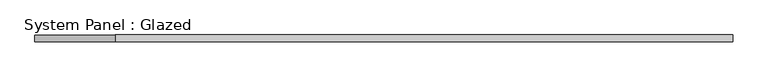
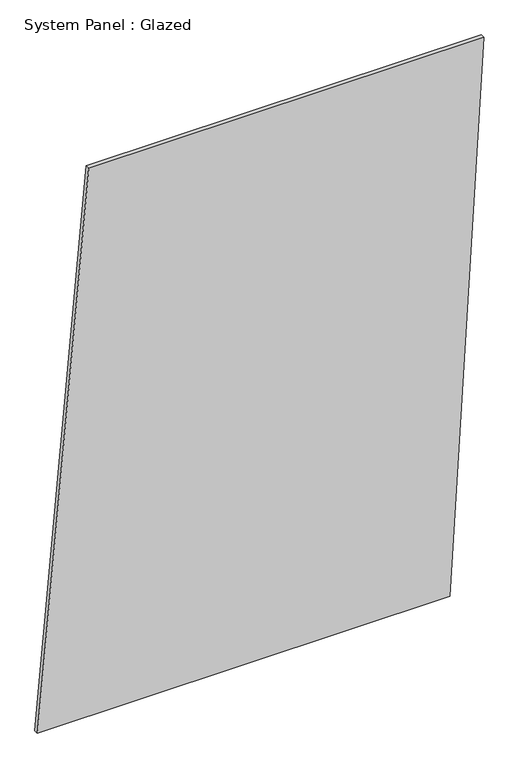
"""IFC4 building model written with IfcOpenShell, lengths in millimetres: plate geometry, System Panel : Glazed."""

from ifc_helpers import new_model, si_unit, frame, origin, place, context, project, spatial, polyline, outline, extrude, source, transform, mapped, element, save


def system_panel_glazed_c8bff7a0(model_context):
    return source(origin(), model_context, "Body", "SweptSolid", [
        extrude(outline(polyline([(0.0, -1288.7801077), (0.0, 1091.4460258), (3338.9590981, 1288.7801077), (3338.9590981, -992.7789849), (0.0, -1288.7801077)])), frame((0.0, -49.5, 0.0), z_axis=(0.0, 1.0, 0.0), x_axis=(0.0, 0.0, 1.0)), (0.0, 0.0, 1.0), 25.0),
    ])


if __name__ == "__main__":
    model = new_model("IFC4")
    model_context = context("Model", 3, world=origin())
    ifc_project = project(units=[si_unit("LENGTHUNIT", "METRE", prefix="MILLI")], contexts=[model_context])
    site = spatial("IfcSite", under=ifc_project)
    building = spatial("IfcBuilding", under=site)
    placement = place(None, origin())
    system_panel_glazed_shape = system_panel_glazed_c8bff7a0(model_context)
    element("IfcPlate", 1, ObjectType="System Panel : Glazed", at=placement, inside=building, context=model_context, shape_type="MappedRepresentation", body=[
        mapped(system_panel_glazed_shape, transform((0.0, 0.0, 0.0), x_axis=(1.0, 0.0, 0.0), y_axis=(0.0, 1.0, 0.0), z_axis=(0.0, 0.0, 1.0))),
    ])
    save(model, "model.ifc")
